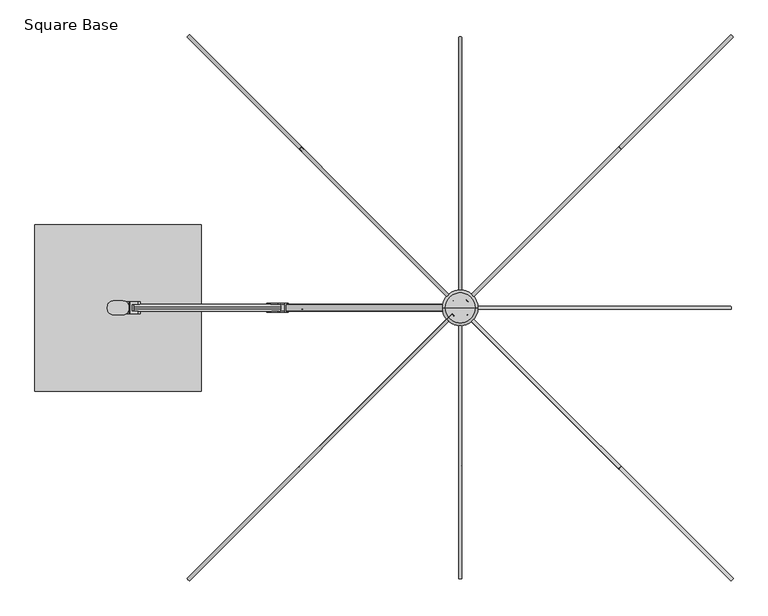
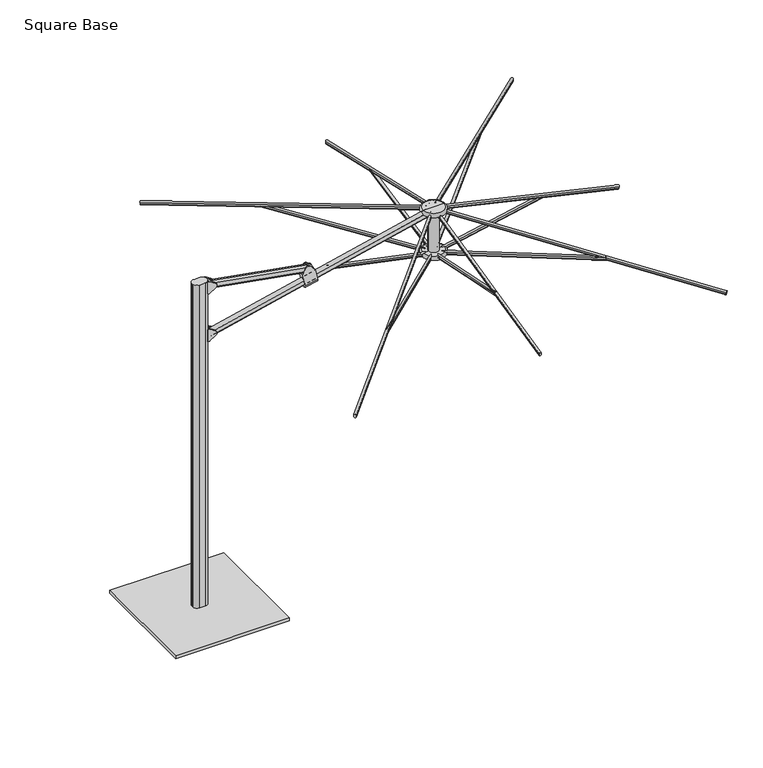
"""IFC4 building model written with IfcOpenShell, lengths in millimetres: furniture geometry, Square Base."""

from ifc_helpers import new_model, si_unit, point, frame, frame_2d, origin, origin_with_axes, place, context, project, spatial, polyline, circle_curve, ellipse_curve, trimmed, segment, composite_curve, outline, extrude, source, transform, mapped, element, save
from ifc_brep_helpers import plane_surface, cylinder_surface, revolved_surface, advanced_brep


def square_base_c0363f3f(model_context):
    return source(origin(), model_context, "Body", "SolidModel", [
        extrude(outline(composite_curve([segment(polyline([(-1446.5300194, -42.1299408), (-1499.8699806, -42.1299408)]), True, "CONTINUOUS"), segment(trimmed(circle_curve(frame_2d((-1499.8699806, -10.3799408)), 31.75), [point((-1499.8699806, -42.1299408))], [point((-1531.6199806, -10.3799408))], False, "CARTESIAN"), True, "CONTINUOUS"), segment(polyline([(-1531.6199806, -10.3799408), (-1531.6199806, 2.3200592)]), True, "CONTINUOUS"), segment(trimmed(circle_curve(frame_2d((-1499.8699806, 2.3200592)), 31.75), [point((-1531.6199806, 2.3200592))], [point((-1499.8699806, 34.0700592))], False, "CARTESIAN"), True, "CONTINUOUS"), segment(polyline([(-1499.8699806, 34.0700592), (-1446.5300194, 34.0700592)]), True, "CONTINUOUS"), segment(trimmed(circle_curve(frame_2d((-1446.5300194, 2.3200592)), 31.75), [point((-1446.5300194, 34.0700592))], [point((-1414.7800194, 2.3200592))], False, "CARTESIAN"), True, "CONTINUOUS"), segment(polyline([(-1414.7800194, 2.3200592), (-1414.7800194, -10.3799408)]), True, "CONTINUOUS"), segment(trimmed(circle_curve(frame_2d((-1446.5300194, -10.3799408)), 31.75), [point((-1414.7800194, -10.3799408))], [point((-1446.5300194, -42.1299408))], False, "CARTESIAN"), True, "CONTINUOUS")], self_intersect=False)), frame((0.0, 0.0, 25.4), z_axis=(0.0, 0.0, 1.0), x_axis=(1.0, 0.0, 0.0)), (0.0, 0.0, 1.0), 2743.2),
        extrude(outline(polyline([(-1016.0, 453.1700592), (-1016.0, -461.2299408), (-1930.4, -461.2299408), (-1930.4, 453.1700592), (-1016.0, 453.1700592)])), origin_with_axes(), (0.0, 0.0, 1.0), 25.4),
        advanced_brep(
        [(-638.8317232, -28.8584398, 2452.539431), (-539.2550393, -28.8584398, 2472.7210111), (-557.1147391, -28.8584398, 2562.8261396), (-594.9132103, -28.8584398, 2602.8681925), (-637.1082851, -28.8584398, 2594.5048149), (-656.7758688, -28.8584398, 2543.0725626), (-556.9273215, -23.0799408, 2561.8805867), (-656.5036375, -23.0799408, 2541.6990811), (-656.7758688, -23.0799408, 2543.0725626), (-637.1082851, -23.0799408, 2594.5048149), (-594.9132103, -23.0799408, 2602.8681925), (-557.1147391, -23.0799408, 2562.8261396), (-556.9273215, 15.0200592, 2561.8805867), (-656.5036375, 15.0200592, 2541.6990811), (-557.1147391, 15.0200592, 2562.8261396), (-594.9132103, 15.0200592, 2602.8681925), (-637.1082851, 15.0200592, 2594.5048149), (-656.7758688, 15.0200592, 2543.0725626), (-539.2550393, 20.7985582, 2472.7210111), (-638.8317232, 20.7985582, 2452.539431), (-656.7758688, 20.7985582, 2543.0725626), (-637.1082851, 20.7985582, 2594.5048149), (-594.9132103, 20.7985582, 2602.8681925), (-557.1147391, 20.7985582, 2562.8261396)],
        [
            (0, 1),
            (1, 2),
            (2, 3),
            (3, 4, circle_curve(frame((-613.3837241, -28.8584398, 2585.4325933), z_axis=(0.0, -1.0, 0.0), x_axis=(1.0, 0.0, 0.0)), 25.4)),
            (4, 5),
            (5, 0),
            (6, 7),
            (7, 8),
            (8, 9),
            (9, 10, circle_curve(frame((-613.3837241, -23.0799408, 2585.4325933), z_axis=(0.0, 1.0, 0.0), x_axis=(1.0, 0.0, 0.0)), 25.4)),
            (10, 11),
            (11, 6),
            (6, 12),
            (12, 13),
            (13, 7),
            (12, 14),
            (14, 15),
            (15, 16, circle_curve(frame((-613.3837241, 15.0200592, 2585.4325933), z_axis=(0.0, -1.0, 0.0), x_axis=(1.0, 0.0, 0.0)), 25.4)),
            (16, 17),
            (17, 13),
            (18, 19),
            (19, 20),
            (20, 21),
            (21, 22, circle_curve(frame((-613.3837241, 20.7985582, 2585.4325933), z_axis=(0.0, 1.0, 0.0), x_axis=(1.0, 0.0, 0.0)), 25.4)),
            (22, 23),
            (23, 18),
            (8, 5),
            (4, 9),
            (20, 17),
            (16, 21),
            (3, 10),
            (15, 22),
            (2, 11),
            (14, 23),
            (1, 18, ellipse_curve(frame((-539.2550393, -4.0299408, 2472.7210111), z_axis=(0.9809169623175261, 0.0, 0.19442714069223216), x_axis=(0.19442714069222775, -2.2532502934053907e-12, -0.980916962317527)), 24.8287277, 24.828499)),
            (19, 0, ellipse_curve(frame((-638.8317232, -4.0299408, 2452.539431), z_axis=(-0.9809177651054216, 0.0, -0.19442309045117312), x_axis=(0.1944230904512047, -2.251037628429089e-12, -0.9809177651054153)), 24.8287281, 24.828499)),
        ],
        [
            plane_surface(frame((-656.823572, -28.8584398, 2448.8929555), z_axis=(0.0, -1.0000000000000002, 0.0), x_axis=(0.9800735011186607, 0.0, 0.19863517413844614))),
            plane_surface(frame((-688.7528402, -23.0799408, 2606.4331791), z_axis=(0.0, 1.0000000000000002, 0.0), x_axis=(0.9800735011186607, 0.0, 0.19863517413844614))),
            plane_surface(frame((-674.8781733, -23.0799408, 2537.975045), z_axis=(-0.19863517413844614, 0.0, 0.9800735011186607), x_axis=(0.9800735011186607, 0.0, 0.19863517413844614))),
            plane_surface(frame((-674.8781733, 15.0200592, 2537.975045), z_axis=(0.0, -1.0000000000000002, 0.0), x_axis=(0.9800735011186607, 0.0, 0.19863517413844614))),
            plane_surface(frame((-688.8424073, 20.7985582, 2606.8751066), z_axis=(0.0, 1.0000000000000002, 0.0), x_axis=(0.9800735011186607, 0.0, 0.19863517413844614))),
            plane_surface(frame((-656.7758688, -42.1299408, 2543.0725626), z_axis=(-0.934037835454624, 0.0, 0.35717407792173367), x_axis=(0.0, 1.0, 0.0))),
            cylinder_surface(frame((-613.3837241, 34.0700592, 2585.4325933), z_axis=(0.0, 1.0, 0.0), x_axis=(1.0, 0.0, 0.0)), 25.4),
            plane_surface(frame((-594.9132103, -42.1299408, 2602.8681925), z_axis=(0.7271855840513565, 0.0, 0.6864409124956697), x_axis=(0.0, 1.0, 0.0))),
            plane_surface(frame((-557.1147391, -42.1299408, 2562.8261396), z_axis=(0.9809169623175261, 0.0, 0.19442714069223216), x_axis=(0.0, 1.0, 0.0))),
            plane_surface(frame((-615.4340122, -42.1299408, 2334.4915679), z_axis=(-0.9809177651054216, 0.0, -0.19442309045117312), x_axis=(0.0, 1.0, 0.0))),
            cylinder_surface(frame((-523.693599, -4.0299408, 2475.8749066), z_axis=(-0.9800735011186607, 0.0, -0.19863517413844567), x_axis=(0.19863517413844567, 0.0, -0.9800735011186607)), 24.828499),
        ],
        [
            (0, [[1, 2, 3, 4, 5, 6]]),
            (1, [[7, 8, 9, 10, 11, 12]]),
            (2, [[-7, 13, 14, 15]]),
            (3, [[-14, 16, 17, 18, 19, 20]]),
            (4, [[21, 22, 23, 24, 25, 26]]),
            (5, [[27, -5, 28, -9]]),
            (5, [[29, -19, 30, -23]]),
            (6, [[-28, -4, 31, -10]]),
            (6, [[-30, -18, 32, -24]]),
            (7, [[-31, -3, 33, -11]]),
            (7, [[-32, -17, 34, -25]]),
            (8, [[-33, -2, 35, -26, -34, -16, -13, -12]]),
            (9, [[-27, -8, -15, -20, -29, -22, 36, -6]]),
            (10, [[-1, -36, -21, -35]]),
        ],
    ),
        advanced_brep(
        [(-1398.5468048, -23.0799408, 2670.4960641), (-1398.5468048, -23.0799408, 2756.7219863), (-1365.0592091, -23.0799408, 2735.6843884), (-1365.0592091, -23.0799408, 2691.533662), (-1398.5468048, 15.0200592, 2670.4960641), (-1398.5468048, 15.0200592, 2756.7219863), (-1365.0592091, 15.0200592, 2691.533662), (-1365.0592091, 15.0200592, 2735.6843884), (-1412.4977231, 28.7360598, 2764.4089767), (-1409.330907, 28.7360598, 2763.4967816), (-1365.0592091, 28.7360598, 2735.6843884), (-1365.0592091, 28.7360598, 2691.533662), (-1409.330907, 28.7360598, 2663.7212688), (-1412.4977231, 28.7360598, 2662.8090736), (-1428.8306637, 28.7360598, 2662.8090736), (-1428.8306637, 28.7360598, 2764.4089767), (-1428.8306637, 28.0356115, 2662.8090736), (-1428.8306637, -36.0954368, 2662.8090736), (-1428.8306637, -36.0954368, 2764.4089767), (-1428.8306637, 28.0356115, 2764.4089767), (-1409.330907, -36.7959413, 2763.4967816), (-1412.4977231, -36.7959413, 2764.4089767), (-1428.8306637, -36.7959413, 2764.4089767), (-1428.8306637, -36.7959413, 2662.8090736), (-1412.4977231, -36.7959413, 2662.8090736), (-1409.330907, -36.7959413, 2663.7212688), (-1365.0592091, -36.7959413, 2691.533662), (-1365.0592091, -36.7959413, 2735.6843884)],
        [
            (0, 1),
            (1, 2),
            (2, 3, circle_curve(frame((-1378.9274073, -23.0799408, 2713.6090252), z_axis=(0.0, 1.0, 0.0), x_axis=(1.0, 0.0, 0.0)), 26.0700706)),
            (3, 0),
            (0, 4),
            (4, 5),
            (5, 1),
            (4, 6),
            (6, 7, circle_curve(frame((-1378.9274073, 15.0200592, 2713.6090252), z_axis=(0.0, -1.0, 0.0), x_axis=(1.0, 0.0, 0.0)), 26.0700706)),
            (7, 5),
            (8, 9, circle_curve(frame((-1412.4977231, 28.7360598, 2758.4558517), z_axis=(0.0, 1.0, 0.0), x_axis=(1.0, 0.0, 0.0)), 5.953125)),
            (9, 10),
            (10, 11, circle_curve(frame((-1378.9274073, 28.7360598, 2713.6090252), z_axis=(0.0, 1.0, 0.0), x_axis=(1.0, 0.0, 0.0)), 26.0700706)),
            (11, 12),
            (12, 13, circle_curve(frame((-1412.4977231, 28.7360598, 2668.7621986), z_axis=(0.0, 1.0, 0.0), x_axis=(1.0, 0.0, 0.0)), 5.953125)),
            (13, 14),
            (14, 15),
            (15, 8),
            (16, 17, circle_curve(frame((-1456.6790796, -4.0299127, 2662.8090736), z_axis=(0.0, 0.0, -1.0), x_axis=(1.0, 0.0, 0.0)), 42.4703674)),
            (17, 18),
            (18, 19, circle_curve(frame((-1456.6790796, -4.0299127, 2764.4089767), z_axis=(0.0, 0.0, 1.0), x_axis=(1.0, 0.0, 0.0)), 42.4703674)),
            (19, 16),
            (20, 21, circle_curve(frame((-1412.4977231, -36.7959413, 2758.4558517), z_axis=(0.0, -1.0, 0.0), x_axis=(1.0, 0.0, 0.0)), 5.953125)),
            (21, 22),
            (22, 23),
            (23, 24),
            (24, 25, circle_curve(frame((-1412.4977231, -36.7959413, 2668.7621986), z_axis=(0.0, -1.0, 0.0), x_axis=(1.0, 0.0, 0.0)), 5.953125)),
            (25, 26),
            (26, 27, circle_curve(frame((-1378.9274073, -36.7959413, 2713.6090252), z_axis=(0.0, -1.0, 0.0), x_axis=(1.0, 0.0, 0.0)), 26.0700706)),
            (27, 20),
            (8, 21),
            (20, 9),
            (27, 2),
            (7, 10),
            (26, 3),
            (6, 11),
            (25, 12),
            (24, 13),
            (23, 17),
            (16, 14),
            (22, 18),
            (19, 15),
        ],
        [
            plane_surface(frame((-1352.2714317, -23.0799408, 2768.6), z_axis=(0.0, 1.0, 0.0), x_axis=(0.0, 0.0, -1.0))),
            plane_surface(frame((-1398.5468048, -23.0799408, 2768.6), z_axis=(1.0, 0.0, 0.0), x_axis=(0.0, 0.0, -1.0))),
            plane_surface(frame((-1398.5468048, 15.0200592, 2768.6), z_axis=(0.0, -1.0, 0.0), x_axis=(0.0, 0.0, -1.0))),
            plane_surface(frame((-1352.2714317, 28.7360598, 2768.6), z_axis=(0.0, 1.0, 0.0), x_axis=(0.0, 0.0, -1.0))),
            revolved_surface(polyline([(-1414.2087122, -4.0299127, 2662.8090736), (-1414.2087122, -4.0299127, 2764.4089767)]), (-1456.6790796, -4.0299127, 2235.2), (0.0, 0.0, -1.0)),
            plane_surface(frame((-1429.6583566, -36.7959413, 2768.6), z_axis=(0.0, -1.0, 0.0), x_axis=(0.0, 0.0, -1.0))),
            cylinder_surface(frame((-1412.4977231, 72.1700592, 2758.4558517), z_axis=(0.0, 1.0, 0.0), x_axis=(1.0, 0.0, 0.0)), 5.953125),
            plane_surface(frame((-1409.330907, -80.2299408, 2763.4967816), z_axis=(0.5319585969039498, 0.0, 0.8467703650813372), x_axis=(0.0, 1.0, 0.0))),
            cylinder_surface(frame((-1378.9274073, 72.1700592, 2713.6090252), z_axis=(0.0, 1.0, 0.0), x_axis=(1.0, 0.0, 0.0)), 26.0700706),
            plane_surface(frame((-1365.0592091, -80.2299408, 2691.533662), z_axis=(0.5319585969039639, 0.0, -0.8467703650813284), x_axis=(0.0, 1.0, 0.0))),
            cylinder_surface(frame((-1412.4977231, 72.1700592, 2668.7621986), z_axis=(0.0, 1.0, 0.0), x_axis=(1.0, 0.0, 0.0)), 5.953125),
            plane_surface(frame((-1412.4977231, -80.2299408, 2662.8090736), z_axis=(0.0, 0.0, -1.0), x_axis=(0.0, 1.0, 0.0))),
            plane_surface(frame((-1428.8306637, -80.2299408, 2662.8090736), z_axis=(-1.0, 0.0, 0.0), x_axis=(0.0, 1.0, 0.0))),
            plane_surface(frame((-1428.8306637, -80.2299408, 2764.4089767), z_axis=(0.0, 0.0, 1.0), x_axis=(0.0, 1.0, 0.0))),
        ],
        [
            (0, [[1, 2, 3, 4]]),
            (1, [[-1, 5, 6, 7]]),
            (2, [[-6, 8, 9, 10]]),
            (3, [[11, 12, 13, 14, 15, 16, 17, 18]]),
            (4, [[19, 20, 21, 22]]),
            (5, [[23, 24, 25, 26, 27, 28, 29, 30]]),
            (6, [[31, -23, 32, -11]]),
            (7, [[-32, -30, 33, -2, -7, -10, 34, -12]]),
            (8, [[-33, -29, 35, -3]]),
            (8, [[-34, -9, 36, -13]]),
            (9, [[-36, -8, -5, -4, -35, -28, 37, -14]]),
            (10, [[-37, -27, 38, -15]]),
            (11, [[-38, -26, 39, -19, 40, -16]]),
            (12, [[-39, -25, 41, -20]]),
            (12, [[-40, -22, 42, -17]]),
            (13, [[-31, -18, -42, -21, -41, -24]]),
        ],
    ),
        advanced_brep(
        [(-1398.5468048, -23.0799408, 2265.4099374), (-1398.5468048, -23.0799408, 2351.6358596), (-1364.8153055, -23.0799408, 2330.4450365), (-1364.8153055, -23.0799408, 2286.6007605), (-1398.5468048, 15.0200592, 2265.4099374), (-1398.5468048, 15.0200592, 2351.6358596), (-1364.8153055, 15.0200592, 2286.6007605), (-1364.8153055, 15.0200592, 2330.4450365), (-1412.4977231, 28.7360598, 2359.32285), (-1409.330907, 28.7360598, 2358.4106549), (-1364.8153055, 28.7360598, 2330.4450365), (-1364.8153055, 28.7360598, 2286.6007605), (-1409.330907, 28.7360598, 2258.6351421), (-1412.4977231, 28.7360598, 2257.7229469), (-1428.4344669, 28.7360598, 2257.7229469), (-1428.4344669, 28.7360598, 2359.32285), (-1428.4344669, 27.6871799, 2257.7229469), (-1428.4344669, -35.7470053, 2257.7229469), (-1428.4344669, -35.7470053, 2359.32285), (-1428.4344669, 27.6871799, 2359.32285), (-1409.330907, -36.7959413, 2358.4106549), (-1412.4977231, -36.7959413, 2359.32285), (-1428.4344669, -36.7959413, 2359.32285), (-1428.4344669, -36.7959413, 2257.7229469), (-1412.4977231, -36.7959413, 2257.7229469), (-1409.330907, -36.7959413, 2258.6351421), (-1364.8153055, -36.7959413, 2286.6007605), (-1364.8153055, -36.7959413, 2330.4450365)],
        [
            (0, 1),
            (1, 2),
            (2, 3, circle_curve(frame((-1378.5872445, -23.0799408, 2308.5228985), z_axis=(0.0, 1.0, 0.0), x_axis=(1.0, 0.0, 0.0)), 25.8891181)),
            (3, 0),
            (0, 4),
            (4, 5),
            (5, 1),
            (4, 6),
            (6, 7, circle_curve(frame((-1378.5872445, 15.0200592, 2308.5228985), z_axis=(0.0, -1.0, 0.0), x_axis=(1.0, 0.0, 0.0)), 25.8891181)),
            (7, 5),
            (8, 9, circle_curve(frame((-1412.4977231, 28.7360598, 2353.369725), z_axis=(0.0, 1.0, 0.0), x_axis=(1.0, 0.0, 0.0)), 5.953125)),
            (9, 10),
            (10, 11, circle_curve(frame((-1378.5872445, 28.7360598, 2308.5228985), z_axis=(0.0, 1.0, 0.0), x_axis=(1.0, 0.0, 0.0)), 25.8891181)),
            (11, 12),
            (12, 13, circle_curve(frame((-1412.4977231, 28.7360598, 2263.6760719), z_axis=(0.0, 1.0, 0.0), x_axis=(1.0, 0.0, 0.0)), 5.953125)),
            (13, 14),
            (14, 15),
            (15, 8),
            (16, 17, circle_curve(frame((-1456.6790796, -4.0299127, 2257.7229469), z_axis=(0.0, 0.0, -1.0), x_axis=(1.0, 0.0, 0.0)), 42.4703674)),
            (17, 18),
            (18, 19, circle_curve(frame((-1456.6790796, -4.0299127, 2359.32285), z_axis=(0.0, 0.0, 1.0), x_axis=(1.0, 0.0, 0.0)), 42.4703674)),
            (19, 16),
            (20, 21, circle_curve(frame((-1412.4977231, -36.7959413, 2353.369725), z_axis=(0.0, -1.0, 0.0), x_axis=(1.0, 0.0, 0.0)), 5.953125)),
            (21, 22),
            (22, 23),
            (23, 24),
            (24, 25, circle_curve(frame((-1412.4977231, -36.7959413, 2263.6760719), z_axis=(0.0, -1.0, 0.0), x_axis=(1.0, 0.0, 0.0)), 5.953125)),
            (25, 26),
            (26, 27, circle_curve(frame((-1378.5872445, -36.7959413, 2308.5228985), z_axis=(0.0, -1.0, 0.0), x_axis=(1.0, 0.0, 0.0)), 25.8891181)),
            (27, 20),
            (8, 21),
            (20, 9),
            (27, 2),
            (7, 10),
            (26, 3),
            (6, 11),
            (25, 12),
            (24, 13),
            (23, 17),
            (16, 14),
            (22, 18),
            (19, 15),
        ],
        [
            plane_surface(frame((-1352.2714317, -23.0799408, 2768.6), z_axis=(0.0, 1.0, 0.0), x_axis=(0.0, 0.0, -1.0))),
            plane_surface(frame((-1398.5468048, -23.0799408, 2768.6), z_axis=(1.0, 0.0, 0.0), x_axis=(0.0, 0.0, -1.0))),
            plane_surface(frame((-1398.5468048, 15.0200592, 2768.6), z_axis=(0.0, -1.0, 0.0), x_axis=(0.0, 0.0, -1.0))),
            plane_surface(frame((-1352.2714317, 28.7360598, 2768.6), z_axis=(0.0, 1.0, 0.0), x_axis=(0.0, 0.0, -1.0))),
            revolved_surface(polyline([(-1414.2087122, -4.0299127, 2257.7229469), (-1414.2087122, -4.0299127, 2359.32285)]), (-1456.6790796, -4.0299127, 2235.2), (0.0, 0.0, -1.0)),
            plane_surface(frame((-1429.6583566, -36.7959413, 2768.6), z_axis=(0.0, -1.0, 0.0), x_axis=(0.0, 0.0, -1.0))),
            cylinder_surface(frame((-1412.4977231, -4.0299408, 2353.369725), z_axis=(0.0, 1.0, 0.0), x_axis=(1.0, 0.0, 0.0)), 5.953125),
            plane_surface(frame((-1409.330907, -80.2299408, 2358.4106549), z_axis=(0.5319585969039494, 0.0, 0.8467703650813374), x_axis=(0.0, 1.0, 0.0))),
            cylinder_surface(frame((-1378.5872445, -4.0299408, 2308.5228985), z_axis=(0.0, 1.0, 0.0), x_axis=(1.0, 0.0, 0.0)), 25.8891181),
            plane_surface(frame((-1364.8153055, -80.2299408, 2286.6007605), z_axis=(0.5319585969039472, 0.0, -0.8467703650813388), x_axis=(0.0, 1.0, 0.0))),
            cylinder_surface(frame((-1412.4977231, -4.0299408, 2263.6760719), z_axis=(0.0, 1.0, 0.0), x_axis=(1.0, 0.0, 0.0)), 5.953125),
            plane_surface(frame((-1412.4977231, -80.2299408, 2257.7229469), z_axis=(0.0, 0.0, -1.0), x_axis=(0.0, 1.0, 0.0))),
            plane_surface(frame((-1428.4344669, -80.2299408, 2257.7229469), z_axis=(-1.0, 0.0, 0.0), x_axis=(0.0, 1.0, 0.0))),
            plane_surface(frame((-1428.4344669, -80.2299408, 2359.32285), z_axis=(0.0, 0.0, 1.0), x_axis=(0.0, 1.0, 0.0))),
        ],
        [
            (0, [[1, 2, 3, 4]]),
            (1, [[-1, 5, 6, 7]]),
            (2, [[-6, 8, 9, 10]]),
            (3, [[11, 12, 13, 14, 15, 16, 17, 18]]),
            (4, [[19, 20, 21, 22]]),
            (5, [[23, 24, 25, 26, 27, 28, 29, 30]]),
            (6, [[31, -23, 32, -11]]),
            (7, [[-32, -30, 33, -2, -7, -10, 34, -12]]),
            (8, [[-33, -29, 35, -3]]),
            (8, [[-34, -9, 36, -13]]),
            (9, [[-36, -8, -5, -4, -35, -28, 37, -14]]),
            (10, [[-37, -27, 38, -15]]),
            (11, [[-38, -26, 39, -19, 40, -16]]),
            (12, [[-39, -25, 41, -20]]),
            (12, [[-40, -22, 42, -17]]),
            (13, [[-31, -18, -42, -21, -41, -24]]),
        ],
    ),
        extrude(outline(composite_curve([segment(trimmed(circle_curve(frame_2d((6.35, 12.6998842)), 12.7), [point((19.05, 12.6998842))], [point((6.35, -0.0001159))], False, "CARTESIAN"), True, "CONTINUOUS"), segment(polyline([(6.35, -0.0001159), (-6.35, -0.0001159)]), True, "CONTINUOUS"), segment(trimmed(circle_curve(frame_2d((-6.35, 12.6998842)), 12.7), [point((-6.35, -0.0001159))], [point((-19.05, 12.6998842))], False, "CARTESIAN"), True, "CONTINUOUS"), segment(polyline([(-19.05, 12.6998842), (-19.05, 45.719986)]), True, "CONTINUOUS"), segment(trimmed(circle_curve(frame_2d((-6.35, 45.719986)), 12.7), [point((-19.05, 45.719986))], [point((-6.35, 58.419986))], False, "CARTESIAN"), True, "CONTINUOUS"), segment(polyline([(-6.35, 58.419986), (6.35, 58.419986)]), True, "CONTINUOUS"), segment(trimmed(circle_curve(frame_2d((6.35, 45.719986)), 12.7), [point((6.35, 58.419986))], [point((19.05, 45.719986))], False, "CARTESIAN"), True, "CONTINUOUS"), segment(polyline([(19.05, 45.719986), (19.05, 12.6998842)]), True, "CONTINUOUS")], self_intersect=False)), frame((-590.7331768, -4.0299408, 2546.711412), z_axis=(-0.9848937860603193, 0.0, 0.17315955122305554), x_axis=(0.0, -1.0, 0.0)), (0.0, 0.0, 1.0), 819.15),
        advanced_brep(
        [(324.3580228, -4.0299408, 2349.5), (488.4419772, -4.0299408, 2349.5), (406.4, -4.0299408, 2349.5), (406.4, -4.0299408, 2381.25), (488.4419772, -4.0299408, 2381.25), (324.3580228, -4.0299408, 2381.25)],
        [
            (0, 1, circle_curve(frame((406.4, -4.0299408, 2349.5), z_axis=(0.0, 0.0, -1.0), x_axis=(1.0, 0.0, 0.0)), 82.0419772)),
            (1, 2),
            (2, 0),
            (1, 0, circle_curve(frame((406.4, -4.0299408, 2349.5), z_axis=(0.0, 0.0, -1.0), x_axis=(1.0, 0.0, 0.0)), 82.0419772)),
            (3, 4),
            (4, 5, circle_curve(frame((406.4, -4.0299408, 2381.25), z_axis=(0.0, 0.0, 1.0), x_axis=(1.0, 0.0, 0.0)), 82.0419772)),
            (5, 3),
            (5, 4, circle_curve(frame((406.4, -4.0299408, 2381.25), z_axis=(0.0, 0.0, 1.0), x_axis=(1.0, 0.0, 0.0)), 82.0419772)),
            (4, 1, circle_curve(frame((488.4419772, -4.0299408, 2365.375), z_axis=(0.0, 1.0, 0.0), x_axis=(1.0, 0.0, 0.0)), 15.875)),
            (0, 5, circle_curve(frame((324.3580228, -4.0299408, 2365.375), z_axis=(0.0, 1.0, 0.0), x_axis=(-1.0, 0.0, 0.0)), 15.875)),
        ],
        [
            plane_surface(frame((406.4, -4.0299408, 2349.5), z_axis=(0.0, 0.0, -1.0), x_axis=(1.0, 0.0, 0.0))),
            plane_surface(frame((406.4, -4.0299408, 2381.25), z_axis=(0.0, 0.0, 1.0), x_axis=(1.0, 0.0, 0.0))),
            revolved_surface(trimmed(ellipse_curve(frame((488.4419772, -4.0299408, 2365.375), z_axis=(0.0, -1.0, 0.0), x_axis=(1.0, 0.0, 0.0)), 15.875, 15.875), [point((488.4419772, -4.0299408, 2349.5))], [point((488.4419772, -4.0299408, 2381.25))], True, "CARTESIAN"), (406.4, -4.0299408, 2605.8874532), (0.0, 0.0, 1.0)),
        ],
        [
            (0, [[1, 2, 3]]),
            (0, [[4, -3, -2]]),
            (1, [[5, 6, 7]]),
            (1, [[-7, 8, -5]]),
            (2, [[-6, 9, -1, 10]]),
            (2, [[-8, -10, -4, -9]]),
        ],
    ),
        extrude(outline(composite_curve([segment(polyline([(12.9834408, -8.4804821), (12.9834408, -22.8946348)]), True, "CONTINUOUS"), segment(trimmed(circle_curve(frame_2d((4.0299408, -22.8946348)), 8.9535), [point((12.9834408, -22.8946348))], [point((-4.9235592, -22.8946348))], False, "CARTESIAN"), True, "CONTINUOUS"), segment(polyline([(-4.9235592, -22.8946348), (-4.9235592, -8.4804821)]), True, "CONTINUOUS"), segment(trimmed(circle_curve(frame_2d((4.0299408, -8.4804821)), 8.9535), [point((-4.9235592, -8.4804821))], [point((12.9834408, -8.4804821))], False, "CARTESIAN"), True, "CONTINUOUS")], self_intersect=False)), frame((410.4299408, -74.166692, 2351.0470755), z_axis=(0.0, -0.9792063685546624, 0.20286667489262716), x_axis=(-1.0, 0.0, 0.0)), (0.0, 0.0, 1.0), 820.9250167),
        extrude(outline(composite_curve([segment(polyline([(12.9834408, -8.4804821), (12.9834408, -22.8946348)]), True, "CONTINUOUS"), segment(trimmed(circle_curve(frame_2d((4.0299408, -22.8946348)), 8.9535), [point((12.9834408, -22.8946348))], [point((-4.9235592, -22.8946348))], False, "CARTESIAN"), True, "CONTINUOUS"), segment(polyline([(-4.9235592, -22.8946348), (-4.9235592, -8.4804821)]), True, "CONTINUOUS"), segment(trimmed(circle_curve(frame_2d((4.0299408, -8.4804821)), 8.9535), [point((-4.9235592, -8.4804821))], [point((12.9834408, -8.4804821))], False, "CARTESIAN"), True, "CONTINUOUS")], self_intersect=False)), frame((336.2632487, -8.0598816, 2351.0470755), z_axis=(-0.9792063685546624, 0.0, 0.20286667489262716), x_axis=(0.0, 1.0, 0.0)), (0.0, 0.0, 1.0), 820.9250167),
        extrude(outline(composite_curve([segment(polyline([(12.9834408, -8.4804821), (12.9834408, -22.8946348)]), True, "CONTINUOUS"), segment(trimmed(circle_curve(frame_2d((4.0299408, -22.8946348)), 8.9535), [point((12.9834408, -22.8946348))], [point((-4.9235592, -22.8946348))], False, "CARTESIAN"), True, "CONTINUOUS"), segment(polyline([(-4.9235592, -22.8946348), (-4.9235592, -8.4804821)]), True, "CONTINUOUS"), segment(trimmed(circle_curve(frame_2d((4.0299408, -8.4804821)), 8.9535), [point((-4.9235592, -8.4804821))], [point((12.9834408, -8.4804821))], False, "CARTESIAN"), True, "CONTINUOUS")], self_intersect=False)), frame((402.3700592, 66.1068105, 2351.0470755), z_axis=(0.0, 0.9792063685546624, 0.20286667489262716), x_axis=(1.0, 0.0, 0.0)), (0.0, 0.0, 1.0), 820.9250167),
        extrude(outline(composite_curve([segment(trimmed(circle_curve(frame_2d((4.0299408, 7.3267917)), 8.9535), [point((12.9834408, 7.3267917))], [point((-4.9235592, 7.3267917))], False, "CARTESIAN"), True, "CONTINUOUS"), segment(polyline([(-4.9235592, 7.3267917), (-4.9235592, 21.7411303)]), True, "CONTINUOUS"), segment(trimmed(circle_curve(frame_2d((4.0299408, 21.7411303)), 8.9535), [point((-4.9235592, 21.7411303))], [point((12.9834408, 21.7411303))], False, "CARTESIAN"), True, "CONTINUOUS"), segment(polyline([(12.9834408, 21.7411303), (12.9834408, 7.3267917)]), True, "CONTINUOUS")], self_intersect=False)), frame((410.4299408, -1486.3407703, 2377.5563301), z_axis=(0.0, 0.9744661240319158, 0.22453456997579438), x_axis=(-1.0, 0.0, 0.0)), (0.0, 0.0, 1.0), 1466.85),
        extrude(outline(composite_curve([segment(polyline([(-16.0360582, 6.8616994), (-16.0360582, 37.5785601)]), True, "CONTINUOUS"), segment(trimmed(circle_curve(frame_2d((-9.6860582, 37.5785601)), 6.35), [point((-16.0360582, 37.5785601))], [point((-15.6590238, 39.7340606))], False, "CARTESIAN"), True, "CONTINUOUS"), segment(trimmed(circle_curve(frame_2d((4.0299408, 32.6287842)), 20.9318007), [point((-15.6590238, 39.7340606))], [point((23.7189054, 39.7340606))], False, "CARTESIAN"), True, "CONTINUOUS"), segment(trimmed(circle_curve(frame_2d((17.7459398, 37.5785601)), 6.35), [point((23.7189054, 39.7340606))], [point((24.0959398, 37.5785601))], False, "CARTESIAN"), True, "CONTINUOUS"), segment(polyline([(24.0959398, 37.5785601), (24.0959398, 6.8616994)]), True, "CONTINUOUS"), segment(trimmed(circle_curve(frame_2d((17.7459398, 6.8616994)), 6.35), [point((24.0959398, 6.8616994))], [point((23.4899127, 4.1544359))], False, "CARTESIAN"), True, "CONTINUOUS"), segment(trimmed(circle_curve(frame_2d((4.0299408, 13.3263579)), 21.5131276), [point((23.4899127, 4.1544359))], [point((-15.4300311, 4.1544359))], False, "CARTESIAN"), True, "CONTINUOUS"), segment(trimmed(circle_curve(frame_2d((-9.6860582, 6.8616994)), 6.35), [point((-15.4300311, 4.1544359))], [point((-16.0360582, 6.8616994))], False, "CARTESIAN"), True, "CONTINUOUS")], self_intersect=False)), frame((-1387.3549734, -8.0598816, 2283.8502039), z_axis=(0.974270807987236, 0.0, 0.22538055085543296), x_axis=(0.0, 1.0, 0.0)), (0.0, 0.0, 1.0), 1794.0067537),
        extrude(outline(composite_curve([segment(trimmed(circle_curve(frame_2d((4.0299408, 7.3267917)), 8.9535), [point((12.9834408, 7.3267917))], [point((-4.9235592, 7.3267917))], False, "CARTESIAN"), True, "CONTINUOUS"), segment(polyline([(-4.9235592, 7.3267917), (-4.9235592, 21.7411303)]), True, "CONTINUOUS"), segment(trimmed(circle_curve(frame_2d((4.0299408, 21.7411303)), 8.9535), [point((-4.9235592, 21.7411303))], [point((12.9834408, 21.7411303))], False, "CARTESIAN"), True, "CONTINUOUS"), segment(polyline([(12.9834408, 21.7411303), (12.9834408, 7.3267917)]), True, "CONTINUOUS")], self_intersect=False)), frame((402.3700592, 1478.2808888, 2377.5563301), z_axis=(0.0, -0.9744661240319158, 0.22453456997579438), x_axis=(1.0, 0.0, 0.0)), (0.0, 0.0, 1.0), 1466.85),
        extrude(outline(composite_curve([segment(trimmed(circle_curve(frame_2d((4.0299408, 7.3267917)), 8.9535), [point((12.9834408, 7.3267917))], [point((-4.9235592, 7.3267917))], False, "CARTESIAN"), True, "CONTINUOUS"), segment(polyline([(-4.9235592, 7.3267917), (-4.9235592, 21.7411303)]), True, "CONTINUOUS"), segment(trimmed(circle_curve(frame_2d((4.0299408, 21.7411303)), 8.9535), [point((-4.9235592, 21.7411303))], [point((12.9834408, 21.7411303))], False, "CARTESIAN"), True, "CONTINUOUS"), segment(polyline([(12.9834408, 21.7411303), (12.9834408, 7.3267917)]), True, "CONTINUOUS")], self_intersect=False)), frame((1888.7108295, 0.0, 2377.5563301), z_axis=(-0.9744661240319158, 0.0, 0.22453456997579438), x_axis=(0.0, -1.0, 0.0)), (0.0, 0.0, 1.0), 1466.85),
        extrude(outline(composite_curve([segment(polyline([(12.9834408, -8.4804821), (12.9834408, -22.8946348)]), True, "CONTINUOUS"), segment(trimmed(circle_curve(frame_2d((4.0299408, -22.8946348)), 8.9535), [point((12.9834408, -22.8946348))], [point((-4.9235592, -22.8946348))], False, "CARTESIAN"), True, "CONTINUOUS"), segment(polyline([(-4.9235592, -22.8946348), (-4.9235592, -8.4804821)]), True, "CONTINUOUS"), segment(trimmed(circle_curve(frame_2d((4.0299408, -8.4804821)), 8.9535), [point((-4.9235592, -8.4804821))], [point((12.9834408, -8.4804821))], False, "CARTESIAN"), True, "CONTINUOUS")], self_intersect=False)), frame((476.5367513, 0.0, 2351.0470755), z_axis=(0.9792063685546624, 0.0, 0.20286667489262716), x_axis=(0.0, -1.0, 0.0)), (0.0, 0.0, 1.0), 820.9250167),
        extrude(outline(composite_curve([segment(trimmed(circle_curve(frame_2d((-0.4115857, 9.2017124)), 8.947892), [point((8.536306, 9.1998746))], [point((-9.3594775, 9.2035503))], False, "CARTESIAN"), True, "CONTINUOUS"), segment(polyline([(-9.3594775, 9.2035503), (-9.3566137, 23.1461249)]), True, "CONTINUOUS"), segment(trimmed(circle_curve(frame_2d((-0.4087216, 23.1461249)), 8.9478921), [point((-9.3566137, 23.1461249))], [point((8.5391702, 23.1439195))], False, "CARTESIAN"), True, "CONTINUOUS"), segment(polyline([(8.5391702, 23.1439195), (8.536306, 9.1998746)]), True, "CONTINUOUS")], self_intersect=False)), frame((452.4138143, -50.0601179, 2349.7856899), z_axis=(0.6999867221279648, -0.7002356419141335, 0.1403161952079987), x_axis=(0.7072324735233253, 0.7069810665032545, 0.0)), (0.0, 0.0, 1.0), 1193.8),
        extrude(outline(composite_curve([segment(trimmed(circle_curve(frame_2d((-0.4115857, 9.2017124)), 8.947892), [point((8.5363061, 9.1998746))], [point((-9.3594775, 9.2035503))], False, "CARTESIAN"), True, "CONTINUOUS"), segment(polyline([(-9.3594775, 9.2035503), (-9.3566137, 23.1461249)]), True, "CONTINUOUS"), segment(trimmed(circle_curve(frame_2d((-0.4087216, 23.1461249)), 8.9478921), [point((-9.3566137, 23.1461249))], [point((8.5391702, 23.1439195))], False, "CARTESIAN"), True, "CONTINUOUS"), segment(polyline([(8.5391702, 23.1439195), (8.5363061, 9.1998746)]), True, "CONTINUOUS")], self_intersect=False)), frame((360.3698229, -50.043755, 2349.7856899), z_axis=(-0.7002356419141418, -0.6999867221279564, 0.1403161952079987), x_axis=(0.7069810665032461, -0.7072324735233336, 0.0)), (0.0, 0.0, 1.0), 1193.8),
        extrude(outline(composite_curve([segment(trimmed(circle_curve(frame_2d((-0.4115857, 9.2017124)), 8.947892), [point((8.536306, 9.1998746))], [point((-9.3594775, 9.2035503))], False, "CARTESIAN"), True, "CONTINUOUS"), segment(polyline([(-9.3594775, 9.2035503), (-9.3566138, 23.1461249)]), True, "CONTINUOUS"), segment(trimmed(circle_curve(frame_2d((-0.4087217, 23.1461249)), 8.9478921), [point((-9.3566138, 23.1461249))], [point((8.5391702, 23.1439195))], False, "CARTESIAN"), True, "CONTINUOUS"), segment(polyline([(8.5391702, 23.1439195), (8.536306, 9.1998746)]), True, "CONTINUOUS")], self_intersect=False)), frame((360.3861857, 42.0002363, 2349.7856899), z_axis=(-0.6999867221279622, 0.7002356419141359, 0.14031619520799868), x_axis=(-0.7072324735233279, -0.706981066503252, 0.0)), (0.0, 0.0, 1.0), 1193.8),
        extrude(outline(composite_curve([segment(trimmed(circle_curve(frame_2d((-0.4115857, 9.2017124)), 8.947892), [point((8.536306, 9.1998746))], [point((-9.3594775, 9.2035503))], False, "CARTESIAN"), True, "CONTINUOUS"), segment(polyline([(-9.3594775, 9.2035503), (-9.3566138, 23.1461249)]), True, "CONTINUOUS"), segment(trimmed(circle_curve(frame_2d((-0.4087217, 23.1461249)), 8.9478921), [point((-9.3566138, 23.1461249))], [point((8.5391702, 23.1439195))], False, "CARTESIAN"), True, "CONTINUOUS"), segment(polyline([(8.5391702, 23.1439195), (8.536306, 9.1998746)]), True, "CONTINUOUS")], self_intersect=False)), frame((452.4301771, 41.9838735, 2349.7856899), z_axis=(0.7002356419141303, 0.6999867221279679, 0.14031619520799873), x_axis=(-0.7069810665032576, 0.7072324735233221, 0.0)), (0.0, 0.0, 1.0), 1193.8),
        extrude(outline(composite_curve([segment(trimmed(circle_curve(frame_2d((0.0454336, -8.9661608)), 8.9535016), [point((-8.9080678, -8.9644053))], [point((8.9989351, -8.9679162))], False, "CARTESIAN"), True, "CONTINUOUS"), segment(polyline([(8.9989351, -8.9679162), (8.9961217, -23.3170804)]), True, "CONTINUOUS"), segment(trimmed(circle_curve(frame_2d((0.0426203, -23.3153249)), 8.9535016), [point((8.9961217, -23.3170804))], [point((-8.9108812, -23.3135694))], False, "CARTESIAN"), True, "CONTINUOUS"), segment(polyline([(-8.9108812, -23.3135694), (-8.9080678, -8.9644053)]), True, "CONTINUOUS")], self_intersect=False)), frame((1896.828967, -1494.8416767, 2378.4052608), z_axis=(-0.6980590219957531, 0.6980590219958305, 0.1594590970141167), x_axis=(0.7071067811865868, 0.7071067811865084, 0.0)), (0.0, 0.0, 1.0), 2085.2228731),
        extrude(outline(composite_curve([segment(trimmed(circle_curve(frame_2d((0.0454337, -8.9661608)), 8.9535016), [point((-8.9080677, -8.9644053))], [point((8.9989351, -8.9679162))], False, "CARTESIAN"), True, "CONTINUOUS"), segment(polyline([(8.9989351, -8.9679162), (8.9961218, -23.3170804)]), True, "CONTINUOUS"), segment(trimmed(circle_curve(frame_2d((0.0426203, -23.3153249)), 8.9535016), [point((8.9961218, -23.3170804))], [point((-8.9108812, -23.3135694))], False, "CARTESIAN"), True, "CONTINUOUS"), segment(polyline([(-8.9108812, -23.3135694), (-8.9080677, -8.9644053)]), True, "CONTINUOUS")], self_intersect=False)), frame((-1084.4117359, -1494.4589077, 2378.4052608), z_axis=(0.6980590219958387, 0.698059021995745, 0.15945909701411676), x_axis=(0.7071067811865, -0.707106781186595, 0.0)), (0.0, 0.0, 1.0), 2085.2228731),
        extrude(outline(composite_curve([segment(trimmed(circle_curve(frame_2d((0.0454336, -8.9661608)), 8.9535016), [point((-8.9080679, -8.9644053))], [point((8.998935, -8.9679162))], False, "CARTESIAN"), True, "CONTINUOUS"), segment(polyline([(8.998935, -8.9679162), (8.9961217, -23.3170804)]), True, "CONTINUOUS"), segment(trimmed(circle_curve(frame_2d((0.0426203, -23.3153249)), 8.9535016), [point((8.9961217, -23.3170804))], [point((-8.9108812, -23.3135694))], False, "CARTESIAN"), True, "CONTINUOUS"), segment(polyline([(-8.9108812, -23.3135694), (-8.9080679, -8.9644053)]), True, "CONTINUOUS")], self_intersect=False)), frame((-1084.028967, 1486.7817951, 2378.4052608), z_axis=(0.6980590219957505, -0.6980590219958331, 0.1594590970141167), x_axis=(-0.7071067811865893, -0.7071067811865057, 0.0)), (0.0, 0.0, 1.0), 2085.2228731),
        extrude(outline(composite_curve([segment(trimmed(circle_curve(frame_2d((0.0454336, -8.9661608)), 8.9535016), [point((-8.9080678, -8.9644053))], [point((8.9989351, -8.9679162))], False, "CARTESIAN"), True, "CONTINUOUS"), segment(polyline([(8.9989351, -8.9679162), (8.9961217, -23.3170804)]), True, "CONTINUOUS"), segment(trimmed(circle_curve(frame_2d((0.0426203, -23.3153249)), 8.9535016), [point((8.9961217, -23.3170804))], [point((-8.9108812, -23.3135694))], False, "CARTESIAN"), True, "CONTINUOUS"), segment(polyline([(-8.9108812, -23.3135694), (-8.9080678, -8.9644053)]), True, "CONTINUOUS")], self_intersect=False)), frame((1897.2117359, 1486.3990262, 2378.4052608), z_axis=(-0.6980590219958274, -0.6980590219957562, 0.15945909701411679), x_axis=(-0.7071067811865116, 0.7071067811865837, 0.0)), (0.0, 0.0, 1.0), 2085.2228731),
        advanced_brep(
        [(366.040881, -4.0299408, 2712.4661201), (446.759119, -4.0299408, 2712.4661201), (446.759119, -4.0299408, 2380.2339283), (366.040881, -4.0299408, 2380.2339283), (406.4, -4.0299408, 2712.4661201), (406.4, -4.0299408, 2380.2339283)],
        [
            (0, 1, circle_curve(frame((406.4, -4.0299408, 2712.4661201), z_axis=(0.0, 0.0, -1.0), x_axis=(1.0, 0.0, 0.0)), 40.359119)),
            (1, 2),
            (2, 3, circle_curve(frame((406.4, -4.0299408, 2380.2339283), z_axis=(0.0, 0.0, 1.0), x_axis=(1.0, 0.0, 0.0)), 40.359119)),
            (3, 0),
            (1, 0, circle_curve(frame((406.4, -4.0299408, 2712.4661201), z_axis=(0.0, 0.0, -1.0), x_axis=(1.0, 0.0, 0.0)), 40.359119)),
            (3, 2, circle_curve(frame((406.4, -4.0299408, 2380.2339283), z_axis=(0.0, 0.0, 1.0), x_axis=(1.0, 0.0, 0.0)), 40.359119)),
            (4, 1),
            (0, 4),
            (2, 5),
            (5, 3),
        ],
        [
            cylinder_surface(frame((406.4, -4.0299408, 2607.6909748), z_axis=(0.0, 0.0, 1.0), x_axis=(1.0, 0.0, 0.0)), 40.359119),
            plane_surface(frame((406.4, -4.0299408, 2712.4661201), z_axis=(0.0, 0.0, 1.0), x_axis=(1.0, 0.0, 0.0))),
            plane_surface(frame((406.4, -4.0299408, 2380.2339283), z_axis=(0.0, 0.0, -1.0), x_axis=(1.0, 0.0, 0.0))),
        ],
        [
            (0, [[1, 2, 3, 4]]),
            (0, [[5, -4, 6, -2]]),
            (1, [[7, -1, 8]]),
            (1, [[-8, -5, -7]]),
            (2, [[-3, 9, 10]]),
            (2, [[-6, -10, -9]]),
        ],
    ),
        advanced_brep(
        [(324.3580228, -4.0299408, 2711.45), (488.4419772, -4.0299408, 2711.45), (406.4, -4.0299408, 2711.45), (406.4, -4.0299408, 2743.2), (488.4419772, -4.0299408, 2743.2), (324.3580228, -4.0299408, 2743.2)],
        [
            (0, 1, circle_curve(frame((406.4, -4.0299408, 2711.45), z_axis=(0.0, 0.0, -1.0), x_axis=(1.0, 0.0, 0.0)), 82.0419772)),
            (1, 2),
            (2, 0),
            (1, 0, circle_curve(frame((406.4, -4.0299408, 2711.45), z_axis=(0.0, 0.0, -1.0), x_axis=(1.0, 0.0, 0.0)), 82.0419772)),
            (3, 4),
            (4, 5, circle_curve(frame((406.4, -4.0299408, 2743.2), z_axis=(0.0, 0.0, 1.0), x_axis=(1.0, 0.0, 0.0)), 82.0419772)),
            (5, 3),
            (5, 4, circle_curve(frame((406.4, -4.0299408, 2743.2), z_axis=(0.0, 0.0, 1.0), x_axis=(1.0, 0.0, 0.0)), 82.0419772)),
            (4, 1, circle_curve(frame((488.4419772, -4.0299408, 2727.325), z_axis=(0.0, 1.0, 0.0), x_axis=(1.0, 0.0, 0.0)), 15.875)),
            (0, 5, circle_curve(frame((324.3580228, -4.0299408, 2727.325), z_axis=(0.0, 1.0, 0.0), x_axis=(-1.0, 0.0, 0.0)), 15.875)),
        ],
        [
            plane_surface(frame((406.4, -4.0299408, 2711.45), z_axis=(0.0, 0.0, -1.0), x_axis=(1.0, 0.0, 0.0))),
            plane_surface(frame((406.4, -4.0299408, 2743.2), z_axis=(0.0, 0.0, 1.0), x_axis=(1.0, 0.0, 0.0))),
            revolved_surface(trimmed(ellipse_curve(frame((488.4419772, -4.0299408, 2727.325), z_axis=(0.0, -1.0, 0.0), x_axis=(1.0, 0.0, 0.0)), 15.875, 15.875), [point((488.4419772, -4.0299408, 2711.45))], [point((488.4419772, -4.0299408, 2743.2))], True, "CARTESIAN"), (406.4, -4.0299408, 2876.5500484), (0.0, 0.0, 1.0)),
        ],
        [
            (0, [[1, 2, 3]]),
            (0, [[4, -3, -2]]),
            (1, [[5, 6, 7]]),
            (1, [[-7, 8, -5]]),
            (2, [[-6, 9, -1, 10]]),
            (2, [[-8, -10, -4, -9]]),
        ],
    ),
    ])


if __name__ == "__main__":
    model = new_model("IFC4")
    model_context = context("Model", 3, world=origin())
    ifc_project = project(units=[si_unit("LENGTHUNIT", "METRE", prefix="MILLI")], contexts=[model_context])
    site = spatial("IfcSite", under=ifc_project)
    building = spatial("IfcBuilding", under=site)
    placement = place(None, origin())
    square_base_shape = square_base_c0363f3f(model_context)
    element("IfcFurniture", 1, ObjectType="Square Base", at=placement, inside=building, context=model_context, shape_type="MappedRepresentation", body=[
        mapped(square_base_shape, transform((0.0, 0.0, 0.0), x_axis=(1.0, 0.0, 0.0), y_axis=(0.0, 1.0, 0.0), z_axis=(0.0, 0.0, 1.0))),
    ])
    save(model, "model.ifc")
